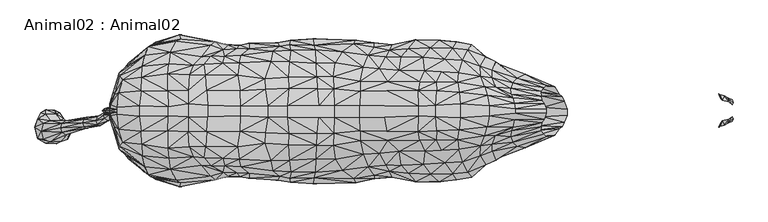
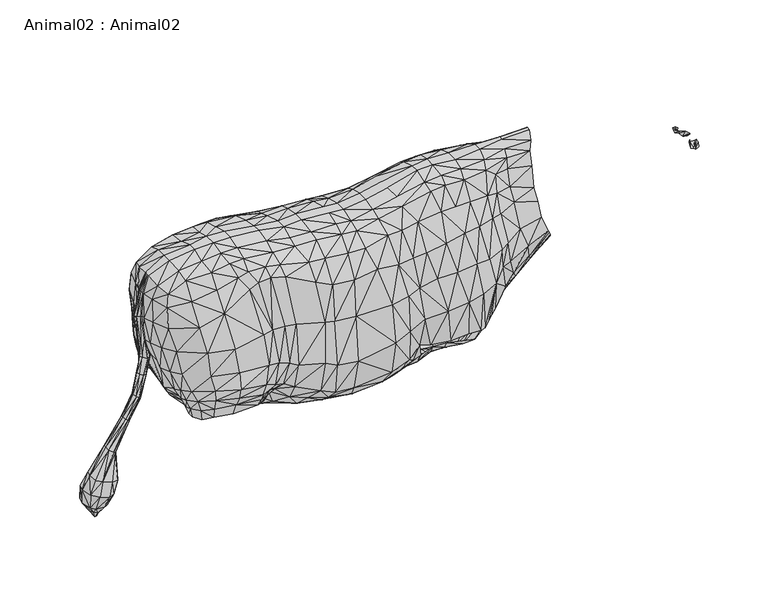
"""IFC4 building model written with IfcOpenShell, lengths in millimetres: geographic element geometry, Animal02 : Animal02."""

from ifc_helpers import new_model, si_unit, origin, place, context, project, spatial, triangles, source, transform, mapped, element, save


def animal02_animal02_c1c0b8f0(model_context):
    return source(origin(), model_context, "Body", "Tessellation", [
        triangles([(-508.8045173, 40.9300825, 759.9256353), (-549.602245, 18.7641038, 768.4956064), (-507.3549691, 20.8708077, 765.309173), (-508.8045173, -23.5500637, 759.9256353), (-460.5180024, -18.782034, 757.7171219), (-457.0882699, 17.7107524, 766.5763922), (-507.3549691, -3.4907898, 765.309173), (-457.0882699, 0.7226153, 766.5763922), (-414.1749736, -6.6063322, 757.6698864), (-412.1886486, 12.6257964, 769.1683851), (-358.8359822, 12.6257964, 769.9487154), (-362.6386934, 21.3003464, 756.7169649), (-358.8359822, 4.5363343, 769.9487154), (-362.6386934, -6.0390567, 756.7169649), (-412.1886486, 4.5363343, 769.1683851), (-548.0079746, -25.855771, 761.3259859), (-549.602245, -1.3840871, 768.4956064), (-465.0573692, 50.6795692, 747.1314308), (-419.442748, 37.4907712, 729.6573521), (-416.8596208, -19.1452953, 747.332654), (-419.442748, -25.1957073, 729.6573521), (-638.8794628, -2.4374384, 753.3598297), (-681.1266661, 17.7107524, 744.5969925), (-724.6799669, 17.7107524, 739.4358976), (-681.1266661, -2.4374384, 744.5969925), (-724.6799669, -2.4374384, 739.4358976), (-803.3116499, 66.723162, 732.0623652), (-754.0053572, 47.1366804, 736.1307215), (-725.4133524, 47.3336524, 732.1646118), (-754.8856813, 67.8981494, 727.4542889), (-751.3595884, 17.7107524, 741.4189888), (-680.3296217, 43.0244223, 737.427372), (-679.7439016, 60.1666945, 728.2223379), (-751.3595884, -2.4374384, 741.4189888), (-754.0053572, -29.7566593, 736.1307215), (-802.8116077, -30.7073576, 737.4528065), (-680.3296217, -25.6444013, 737.427372), (-725.4133524, -29.9536381, 732.1646118), (-754.8856813, -50.5181328, 727.4542889), (-679.7439016, -42.786678, 728.2223379), (-634.0967606, 43.3816135, 746.9868902), (-632.865513, 59.3370349, 737.4384905), (-579.8926927, 44.2090702, 758.1395525), (-548.0079746, 43.2357921, 761.3259859), (-460.5180024, 35.738305, 757.7171219), (-416.8596208, 31.4403593, 747.332654), (-414.1749736, 21.8676219, 757.6698864), (-465.0573692, -34.1470436, 747.1314308), (-579.8926927, -26.8290514, 758.1395525), (-511.6295629, -41.0426483, 748.8210806), (-634.0967606, -26.0015947, 746.9868902), (-579.095612, 0.7226153, 766.1057814), (-579.095612, 16.657401, 766.1057814), (-638.8794628, 17.7107524, 753.3598297), (-416.8596208, 57.3134848, 671.0076616), (-568.2863517, 78.1666132, 714.5613258), (-539.0799222, 76.5668381, 713.7579592), (-533.9912066, 98.0524543, 670.2912809), (-570.9715802, 101.1315632, 664.667351), (-612.5020758, 78.7096397, 709.6671478), (-723.5078001, 91.8473825, 702.2403482), (-757.0028486, 114.3874129, 663.010766), (-801.7816561, 93.7918041, 710.0923399), (-756.2099464, -73.8721306, 702.9609438), (-757.0028486, -97.0073964, 663.010766), (-420.0753402, -35.6252487, 699.1273842), (-452.1858075, -48.6253296, 704.7548023), (-509.8735291, -57.5870418, 712.8725481), (-472.0892075, -51.3409977, 708.0520575), (-612.5020758, -61.3296186, 709.6671478), (-609.5598498, -84.7777922, 659.8467876), (-568.2863517, -60.7866012, 714.5613258), (-539.0799222, -59.186817, 713.7579592), (-367.8415372, 34.1362408, 713.6986605), (-368.3241749, 42.6155447, 672.8146734), (-367.0871501, 26.7368514, 739.6655348), (-420.0753402, 47.9203126, 699.1273842), (-452.1858075, 66.0053461, 704.7548023), (-472.0892075, 68.7210188, 708.0520575), (-446.3637428, 49.6938826, 732.154656), (-509.8735291, 74.9670629, 712.8725481), (-511.6295629, 58.4226694, 748.8210806), (-548.4208855, 58.1481903, 749.4672621), (-577.2475053, 59.2680711, 747.9100897), (-675.0338694, 83.8406128, 707.3314619), (-726.3920717, 67.8981494, 724.3821653), (-756.2099464, 91.2521517, 702.9609438), (-803.3116499, -49.3431455, 732.0623652), (-675.0338694, -66.4605918, 707.3314619), (-726.3920717, -50.5181328, 724.3821653), (-723.5078001, -74.4673614, 702.2403482), (-577.2475053, -41.8880546, 747.9100897), (-632.865513, -41.9570184, 737.4384905), (-646.8966333, -64.2946402, 706.5280226), (-446.3637428, -33.1613593, 732.154656), (-548.4208855, -40.7681693, 749.4672621), (-367.8415372, -18.8749516, 713.6986605), (-367.0871501, -11.4755623, 739.6655348), (-976.9016356, -1.6607981, 757.9446516), (-843.9524832, 46.4636928, 738.1138853), (-886.9459345, 43.6425714, 745.3850985), (-886.284565, 16.657401, 750.6732931), (-839.9839027, -2.4374384, 743.40208), (-974.9814039, 70.8945689, 745.8867393), (-1011.8693413, 73.0998622, 741.2785904), (-1057.2106871, 66.4488737, 736.6705141), (-1057.5970734, 43.9021304, 744.0630861), (-917.0777435, 90.7720393, 730.9778383), (-949.5855703, 89.4187335, 732.0385294), (-946.5469477, 70.2129336, 745.8867393), (-967.8215212, 87.7559353, 724.20783), (-891.215078, -53.0643846, 739.742565), (-917.0777435, -73.3920273, 730.9778383), (-946.5469477, -52.8329125, 745.8867393), (-974.9814039, -53.5145524, 745.8867393), (-845.1051744, -47.1818812, 732.8304142), (-843.9524832, -29.0836785, 738.1138853), (-976.9016356, -27.3088732, 751.9953781), (-1012.6192955, -25.7244677, 746.7071835), (-945.152556, -27.3179092, 751.9953781), (-1057.5970734, -26.5221116, 744.0630861), (-1061.5657265, -0.336263, 750.0122869), (-1099.267713, 2.9655476, 730.8425268), (-1061.5657265, 17.7162799, 750.0122869), (-1011.2964111, 15.880761, 755.3004816), (-1012.6192955, 43.1044865, 746.7071835), (-976.9016356, 44.688892, 751.9953781), (-945.152556, 44.6979258, 751.9953781), (-976.9016356, 20.8708077, 757.9446516), (-943.1682295, 18.7641038, 757.2835728), (-886.9459345, -26.2625526, 745.3850985), (-1011.2964111, 0.7226153, 755.3004816), (-943.1682295, -1.3840871, 757.2835728), (-886.284565, 0.7226153, 750.6732931), (-1010.6365677, 90.1758275, 715.9407475), (-1056.6230776, 85.7943272, 705.63985), (-1110.4338919, 19.5171794, 699.1133589), (-1096.4514605, 40.3890954, 724.893326), (-1094.8671095, 69.4784671, 695.9655132), (-834.5086555, 94.3655518, 714.3855371), (-830.654821, 111.5448266, 682.1575624), (-891.215078, 70.4444056, 739.742565), (-888.5344276, 91.668042, 725.5820194), (-913.9063528, 103.2753459, 715.4818365), (-937.6924736, 102.885426, 713.1047287), (-953.5498632, 102.3876821, 704.8538515), (-1089.4876413, 62.4776, 718.2380636), (-1089.4876413, -45.0975789, 718.2380636), (-1096.4514605, -23.0090788, 724.893326), (-1110.4338919, 0.6589495, 699.1133589), (-834.5086555, -76.9855353, 714.3855371), (-1057.2106871, -49.0688572, 736.6705141), (-1011.8693413, -55.7198411, 741.2785904), (-967.8215212, -70.3759142, 724.20783), (-1010.6365677, -72.7958064, 715.9407475), (-949.5855703, -72.0387124, 732.0385294), (-937.6924736, -85.5054095, 713.1047287), (-953.5498632, -85.0076655, 704.8538515), (-913.9063528, -85.8953294, 715.4818365), (-888.5344276, -74.288021, 725.5820194), (-1099.267713, 14.7013135, 730.8425268), (-839.9839027, 17.7107524, 743.40208), (-802.8116077, 48.0873764, 737.4528065), (-804.7959343, 17.7107524, 745.3850985), (-845.1051744, 64.5619022, 732.8304142), (-801.7816561, -76.4117876, 710.0923399), (-830.654821, -94.1648101, 682.1575624), (-804.7959343, -2.4374384, 745.3850985), (-655.4165348, 118.2753297, 596.4014234), (-629.6247225, 113.1382522, 601.1419044), (-629.6247225, -95.7582357, 601.1419044), (-665.859284, -87.5220833, 655.771673), (-1106.5435043, 41.0612518, 653.1229975), (-1097.2833864, 55.038887, 605.9086555), (-1095.8727167, 74.698134, 656.4452511), (-1095.8727167, -57.3181175, 656.4452511), (-1085.6451433, -67.1195632, 611.4833879), (-1097.2833864, -37.6588728, 605.9086555), (-1112.4964113, -4.2648381, 652.0551847), (-1104.5592505, -10.3599906, 602.5277936), (-1104.5592505, 27.7400105, 602.5277936), (-1106.9457327, 8.6900088, 600.8504251), (-1104.9195482, 36.8889525, 696.3712297), (-363.3216823, 48.4307239, 647.034561), (-358.9328513, 53.0105906, 614.7695246), (-451.991161, 78.5525726, 670.2912809), (-409.158601, 64.8027487, 619.4141539), (-446.4995994, 94.0000854, 617.8766024), (-463.3819991, 101.8665929, 615.4662844), (-472.8931191, 86.2234525, 672.7015263), (-494.7688914, 114.4777599, 613.7576677), (-503.4421992, 96.2173192, 673.5049656), (-520.4943924, 116.9641997, 614.5610344), (-609.5598498, 102.1577996, 659.8467876), (-558.527645, 117.5868724, 611.2116022), (-597.5010292, 116.226236, 610.0347118), (-635.9566761, 102.4224183, 657.3039923), (-665.859284, 104.9020998, 655.771673), (-646.8966333, 81.6746567, 706.5280226), (-690.8840647, 124.4048065, 595.1396908), (-711.0207716, 110.8591581, 666.1416796), (-759.7322605, 122.3425233, 594.2754993), (-799.2922731, 113.8162995, 666.7518167), (-801.3396772, 122.8496507, 599.0297513), (-818.7617243, 120.1356812, 602.1992889), (-885.1977854, 104.7797235, 707.7862307), (-871.8840631, 116.3502836, 613.2925798), (-893.2916954, 115.7445793, 616.4620811), (-937.6924736, 121.7524884, 618.0467955), (-916.2849867, 114.5351146, 616.4620811), (-1007.6004885, 109.6372396, 678.3666601), (-1052.2913652, 105.1161765, 662.3121895), (-997.1578119, 128.6383781, 613.2925798), (-1085.6451433, 84.4995842, 611.4833879), (-1045.522883, 119.2411682, 615.6696877), (-801.3396772, -107.0628691, 599.0297513), (-759.7322605, -106.5557416, 594.2754993), (-799.2922731, -96.4362739, 666.7518167), (-1045.522883, -101.8611608, 615.6696877), (-997.1578119, -111.2583615, 613.2925798), (-1104.9195482, -18.3696829, 696.7507124), (-1094.8671095, -52.0984551, 695.9655132), (-1106.5435043, -23.3014847, 653.1229975), (-1052.2913652, -87.7361509, 662.3121895), (-1007.6004885, -92.257223, 678.3666601), (-937.6924736, -104.3724719, 618.0467955), (-818.7617243, -104.3489086, 602.1992889), (-1056.6230776, -68.4143061, 705.63985), (-916.2849867, -97.1550981, 616.4620811), (-885.1977854, -87.399707, 707.7862307), (-871.8840631, -98.970258, 613.2925798), (-893.2916954, -98.3645719, 616.4620811), (-363.3216823, -31.4744483, 647.034561), (-358.9328513, -36.054315, 614.7695246), (-472.8931191, -68.843436, 672.7015263), (-494.7688914, -97.0977433, 613.7576677), (-655.4165348, -102.488548, 596.4014234), (-690.8840647, -108.618034, 595.1396908), (-597.5010292, -98.8462285, 610.0347118), (-558.527645, -100.206865, 611.2116022), (-570.9715802, -83.7515467, 664.667351), (-503.4421992, -78.8372936, 673.5049656), (-533.9912066, -80.6724287, 670.2912809), (-520.4943924, -99.5841831, 614.5610344), (-463.3819991, -84.4865763, 615.4662844), (-446.4995994, -76.6200779, 617.8766024), (-451.991161, -61.1725561, 670.2912809), (-409.158601, -52.5076916, 619.4141539), (-711.0207716, -93.4791324, 666.1416796), (-635.9566761, -85.0424018, 657.3039923), (-416.8596208, -45.0184231, 671.0076616), (-368.3241749, -25.6592736, 672.8146734), (-1112.4964113, 21.0591729, 652.0551847)], [[1, 2, 3], [44, 2, 1], [3, 45, 1], [3, 6, 45], [17, 4, 7], [17, 16, 4], [5, 7, 4], [8, 7, 5], [17, 3, 2], [17, 7, 3], [8, 6, 7], [3, 7, 6], [47, 6, 10], [47, 45, 6], [8, 9, 15], [5, 9, 8], [8, 10, 6], [8, 15, 10], [12, 10, 11], [12, 47, 10], [15, 14, 13], [9, 14, 15], [13, 11, 15], [10, 15, 11], [43, 2, 44], [43, 53, 2], [17, 49, 16], [52, 49, 17], [17, 2, 52], [53, 52, 2], [46, 80, 18], [19, 80, 46], [95, 20, 48], [95, 21, 20], [22, 54, 25], [23, 25, 54], [34, 31, 164], [164, 168, 34], [26, 24, 34], [31, 34, 24], [25, 23, 24], [24, 26, 25], [163, 30, 27], [163, 28, 30], [29, 30, 28], [86, 30, 29], [29, 33, 86], [29, 32, 33], [28, 164, 31], [163, 164, 28], [31, 29, 28], [31, 24, 29], [32, 24, 23], [29, 24, 32], [32, 54, 41], [32, 23, 54], [42, 32, 41], [33, 32, 42], [38, 34, 35], [26, 34, 38], [168, 35, 34], [168, 36, 35], [22, 37, 51], [25, 37, 22], [26, 37, 25], [26, 38, 37], [39, 38, 35], [39, 90, 38], [39, 36, 88], [35, 36, 39], [40, 38, 90], [37, 38, 40], [37, 93, 51], [37, 40, 93], [53, 41, 54], [43, 41, 53], [42, 43, 84], [42, 41, 43], [83, 43, 44], [84, 43, 83], [44, 82, 83], [44, 1, 82], [18, 1, 45], [82, 1, 18], [45, 46, 18], [47, 46, 45], [47, 76, 46], [12, 76, 47], [20, 5, 48], [20, 9, 5], [4, 48, 5], [4, 50, 48], [49, 96, 16], [49, 92, 96], [50, 16, 96], [4, 16, 50], [49, 93, 92], [51, 93, 49], [51, 52, 22], [51, 49, 52], [98, 9, 20], [98, 14, 9], [52, 53, 54], [54, 22, 52], [78, 55, 186], [77, 55, 78], [190, 78, 186], [190, 79, 78], [79, 192, 81], [190, 192, 79], [81, 58, 57], [192, 58, 81], [56, 58, 59], [57, 58, 56], [59, 60, 56], [59, 194, 60], [61, 62, 87], [201, 62, 61], [87, 203, 63], [62, 203, 87], [65, 91, 64], [65, 249, 91], [218, 64, 166], [218, 65, 64], [251, 67, 247], [251, 66, 67], [67, 235, 247], [69, 235, 67], [242, 69, 68], [242, 235, 69], [70, 241, 72], [71, 241, 70], [243, 72, 241], [243, 73, 72], [243, 68, 73], [243, 242, 68], [74, 77, 19], [75, 77, 74], [19, 76, 74], [19, 46, 76], [77, 80, 19], [77, 78, 80], [80, 79, 18], [78, 79, 80], [79, 82, 18], [79, 81, 82], [57, 82, 81], [57, 83, 82], [56, 83, 57], [56, 84, 83], [84, 60, 42], [56, 60, 84], [42, 199, 33], [60, 199, 42], [199, 85, 33], [85, 86, 33], [85, 61, 86], [87, 86, 61], [87, 30, 86], [63, 30, 87], [63, 27, 30], [90, 64, 91], [39, 64, 90], [39, 166, 64], [88, 166, 39], [95, 66, 21], [67, 66, 95], [90, 89, 40], [91, 89, 90], [70, 92, 93], [70, 72, 92], [94, 93, 40], [94, 70, 93], [89, 94, 40], [69, 95, 48], [69, 67, 95], [50, 73, 68], [96, 73, 50], [96, 72, 73], [92, 72, 96], [50, 69, 48], [68, 69, 50], [66, 97, 21], [66, 252, 97], [98, 21, 97], [20, 21, 98], [99, 125, 132], [129, 125, 99], [133, 130, 129], [129, 99, 133], [100, 102, 162], [101, 102, 100], [142, 128, 101], [110, 128, 142], [131, 103, 134], [131, 117, 103], [134, 162, 102], [134, 103, 162], [127, 105, 126], [104, 105, 127], [127, 110, 104], [127, 128, 110], [106, 126, 105], [106, 107, 126], [101, 165, 142], [101, 100, 165], [142, 108, 110], [143, 108, 142], [109, 110, 108], [104, 110, 109], [104, 111, 105], [104, 109, 111], [113, 112, 114], [113, 160, 112], [114, 156, 113], [114, 115, 156], [154, 115, 153], [156, 115, 154], [116, 131, 112], [117, 131, 116], [114, 118, 115], [120, 118, 114], [119, 152, 153], [121, 152, 119], [153, 118, 119], [153, 115, 118], [120, 112, 131], [120, 114, 112], [138, 124, 107], [138, 161, 124], [122, 149, 121], [123, 149, 122], [122, 161, 123], [124, 161, 122], [125, 107, 124], [126, 107, 125], [126, 129, 127], [126, 125, 129], [128, 129, 130], [127, 129, 128], [130, 101, 128], [130, 102, 101], [131, 133, 120], [134, 133, 131], [99, 119, 118], [132, 119, 99], [121, 132, 122], [121, 119, 132], [99, 120, 133], [99, 118, 120], [132, 125, 124], [124, 122, 132], [134, 130, 133], [102, 130, 134], [211, 136, 135], [211, 212, 136], [228, 225, 155], [224, 225, 228], [138, 137, 161], [183, 137, 138], [147, 183, 138], [139, 183, 147], [107, 147, 138], [106, 147, 107], [140, 206, 143], [141, 206, 140], [143, 165, 140], [143, 142, 165], [144, 143, 206], [144, 108, 143], [108, 145, 109], [144, 145, 108], [109, 146, 111], [145, 146, 109], [211, 111, 146], [211, 135, 111], [111, 135, 105], [106, 135, 136], [105, 135, 106], [147, 136, 139], [147, 106, 136], [148, 121, 149], [148, 152, 121], [228, 148, 222], [152, 148, 228], [221, 148, 149], [221, 222, 148], [150, 149, 123], [150, 221, 149], [116, 160, 151], [112, 160, 116], [155, 152, 228], [155, 153, 152], [155, 154, 153], [230, 151, 160], [230, 167, 151], [158, 156, 154], [158, 157, 156], [154, 225, 158], [155, 225, 154], [157, 113, 156], [157, 159, 113], [160, 159, 230], [113, 159, 160], [150, 161, 137], [150, 123, 161], [162, 163, 100], [162, 164, 163], [163, 165, 100], [27, 165, 163], [63, 141, 140], [203, 141, 63], [140, 27, 63], [140, 165, 27], [88, 151, 166], [116, 151, 88], [167, 166, 151], [167, 218, 166], [116, 36, 117], [116, 88, 36], [36, 103, 117], [168, 103, 36], [168, 164, 103], [162, 103, 164], [170, 198, 197], [170, 169, 198], [172, 171, 250], [237, 171, 172], [173, 181, 253], [174, 181, 173], [175, 174, 173], [214, 174, 175], [178, 176, 223], [178, 177, 176], [180, 223, 179], [180, 178, 223], [182, 180, 179], [181, 182, 253], [253, 182, 179], [253, 183, 173], [253, 137, 183], [173, 139, 175], [173, 183, 139], [184, 187, 55], [185, 187, 184], [55, 75, 184], [55, 77, 75], [187, 186, 55], [187, 188, 186], [190, 188, 189], [186, 188, 190], [191, 190, 189], [191, 192, 190], [193, 192, 191], [193, 58, 192], [195, 58, 193], [195, 59, 58], [59, 196, 194], [195, 196, 59], [194, 170, 197], [196, 170, 194], [197, 60, 194], [197, 199, 60], [199, 198, 85], [197, 198, 199], [200, 198, 169], [200, 201, 198], [85, 201, 61], [198, 201, 85], [202, 201, 200], [202, 62, 201], [204, 62, 202], [204, 203, 62], [205, 203, 204], [205, 141, 203], [207, 141, 205], [207, 206, 141], [206, 208, 144], [207, 208, 206], [210, 144, 208], [210, 145, 144], [210, 146, 145], [210, 209, 146], [211, 209, 213], [146, 209, 211], [211, 215, 212], [213, 215, 211], [212, 139, 136], [175, 139, 212], [212, 214, 175], [212, 215, 214], [249, 217, 238], [65, 217, 249], [218, 227, 216], [167, 227, 218], [65, 216, 217], [218, 216, 65], [219, 225, 224], [219, 220, 225], [221, 179, 223], [150, 179, 221], [222, 223, 176], [221, 223, 222], [177, 224, 176], [219, 224, 177], [158, 229, 157], [226, 229, 158], [226, 225, 220], [226, 158, 225], [167, 231, 227], [230, 231, 167], [222, 224, 228], [222, 176, 224], [159, 229, 232], [157, 229, 159], [232, 230, 159], [232, 231, 230], [248, 233, 251], [248, 234, 233], [235, 236, 245], [242, 236, 235], [172, 238, 237], [249, 238, 172], [171, 71, 250], [171, 239, 71], [239, 241, 71], [239, 240, 241], [243, 240, 244], [241, 240, 243], [242, 244, 236], [243, 244, 242], [246, 235, 245], [246, 247, 235], [247, 248, 251], [246, 248, 247], [249, 89, 91], [249, 172, 89], [172, 94, 89], [172, 250, 94], [70, 250, 71], [94, 250, 70], [252, 251, 233], [66, 251, 252], [150, 253, 179], [137, 253, 150]], closed=False),
        triangles([(-344.3290915, 50.5641329, 580.7423501), (-438.5625838, -71.3206648, 573.7959354), (-395.3203832, -55.0244257, 579.5839542), (-344.3290915, -33.1841118, 580.7423501), (-358.9328513, 53.0105906, 614.7695246), (-409.158601, 64.8027487, 619.4141539), (-395.3203832, 72.4044423, 579.5839542), (-438.5625838, 88.7006814, 573.7959354), (-446.4995994, 94.0000854, 617.8766024), (-456.7467937, 93.9604439, 572.5455394), (-494.7688914, 114.4777599, 613.7576677), (-463.3819991, 101.8665929, 615.4662844), (-520.4943924, 116.9641997, 614.5610344), (-558.527645, 117.5868724, 611.2116022), (-543.941326, 130.6726925, 552.407161), (-513.4132839, 127.7255977, 557.2066864), (-584.4193786, 131.1899665, 547.5866704), (-597.5010292, 116.226236, 610.0347118), (-629.6247225, 113.1382522, 601.1419044), (-446.4995994, -76.6200779, 617.8766024), (-487.3006336, -105.9352762, 566.868742), (-543.941326, -113.2926759, 552.407161), (-520.4943924, -99.5841831, 614.5610344), (-597.5010292, -98.8462285, 610.0347118), (-629.6247225, -95.7582357, 601.1419044), (-558.527645, -100.206865, 611.2116022), (-494.7688914, -97.0977433, 613.7576677), (-463.3819991, -84.4865763, 615.4662844), (-358.9328513, -36.054315, 614.7695246), (-409.158601, -52.5076916, 619.4141539), (-369.3478769, 34.48542, 524.3373628), (-404.3912684, 37.8935468, 498.003505), (-404.3912684, -20.5135303, 498.003505), (-369.3478769, -17.1054001, 524.3373628), (-546.4041844, 60.0307789, 427.1265086), (-547.1869855, -37.5999942, 414.5789097), (-603.9928205, 47.0008693, 404.6770795), (-630.5687056, 52.5045214, 406.1094049), (-754.6038671, 81.6838495, 406.2060559), (-696.9728645, -86.1048733, 425.3440956), (-757.6658169, -87.9930211, 423.6987382), (-603.9928205, -29.6208505, 404.6770795), (-608.3710416, -49.8805446, 414.0200412), (-574.2802445, -37.8010788, 416.2299354), (-547.1869855, 54.9800153, 414.5789097), (-573.6194564, -42.9579475, 428.1170732), (-546.4041844, -42.6507578, 427.1265086), (-487.5393909, 15.3809618, 414.424377), (-487.5393909, 38.4918547, 421.2888562), (-485.1027663, 52.3535631, 429.8608621), (-460.064251, 39.8039249, 441.3918079), (-481.6343734, 67.4758823, 441.5984814), (-513.934473, 57.3071988, 411.4979931), (-608.3710416, 67.2605702, 414.0200412), (-661.1364618, 77.3731751, 410.2089366), (-696.9728645, 103.4848898, 425.3440956), (-651.7450293, 116.5772865, 464.0357746), (-762.9037966, 122.2677913, 448.4781487), (-690.27073, 122.0068606, 455.1043067), (-757.6658169, 105.3730467, 423.6987382), (-802.3872877, 103.8935949, 430.9738029), (-573.6194564, 60.337964, 428.1170732), (-762.9037966, -106.4810278, 448.4781487), (-798.9610434, -106.0534103, 452.4400071), (-690.27073, -106.2200789, 455.1043067), (-485.1027663, -34.9735466, 429.8608621), (-505.0500226, -64.0923406, 432.4787255), (-487.5393909, -21.1118359, 421.2888562), (-457.7746742, 15.3809618, 435.2900002), (-457.7746742, -2.4502005, 435.2900002), (-430.9110523, 13.8978753, 461.1360606), (-400.8496242, 12.9091537, 489.7888902), (-433.963882, 39.6736549, 470.288736), (-436.2094208, 48.7230116, 484.4278802), (-461.7748661, 50.1962411, 452.0484249), (-440.4932073, 61.0157388, 493.5547214), (-462.3402386, 65.2483974, 464.3558496), (-441.9914443, 77.1031516, 516.4654595), (-464.4229966, 80.9853365, 480.7185136), (-505.0500226, 81.4723526, 432.4787255), (-626.4339289, 106.7232187, 478.3261814), (-629.4197931, 90.0614813, 437.9480865), (-613.6633421, 88.2048904, 442.0608441), (-659.3284327, 96.7661684, 432.5089199), (-655.4911669, 126.2201754, 527.4701294), (-760.5251627, 133.1008964, 509.4911759), (-760.5251627, -117.3141329, 509.4911759), (-462.3402386, -47.8683809, 464.3558496), (-464.4229966, -63.6053155, 480.7185136), (-441.9914443, -59.7231305, 516.4654595), (-440.4932073, -43.6357222, 493.5547214), (-659.3284327, -79.3861518, 432.5089199), (-626.4339289, -89.3432021, 478.3261814), (-629.4197931, -72.6814602, 437.9480865), (-613.6633421, -70.8248739, 442.0608441), (-484.0348083, -75.8104707, 470.1429236), (-481.6343734, -50.0958657, 441.5984814), (-473.9453442, -67.7362951, 474.2085548), (-436.2094208, -31.3429974, 484.4278802), (-461.7748661, -32.8162223, 452.0484249), (-460.064251, -22.4239061, 441.3918079), (-433.963882, -22.2936383, 470.288736), (-430.9110523, -2.4502005, 461.1360606), (-400.8496242, -1.4614765, 489.7888902), (-364.4265203, 14.8865993, 518.5247452), (-327.4824454, 25.2554329, 550.5768949), (-331.3909278, 32.9395387, 558.1223282), (-374.4057077, 42.1645775, 529.7368152), (-336.1114245, 37.4702215, 567.4685237), (-408.574734, 46.6505773, 506.9977962), (-412.4109824, 58.6057841, 516.0215549), (-425.1384759, 74.6892774, 536.9028022), (-382.7347415, 53.312439, 544.4522324), (-624.8343899, 123.1719875, 540.9405281), (-690.8840647, 124.4048065, 595.1396908), (-655.4165348, 118.2753297, 596.4014234), (-687.7126013, 130.962782, 519.2150737), (-759.7322605, 122.3425233, 594.2754993), (-612.2993265, 119.200464, 481.6544666), (-541.2188905, 123.8585281, 482.6101132), (-579.1497148, 129.3646419, 484.5214065), (-516.3567089, 123.7800809, 481.0174052), (-503.2881389, 115.1070002, 476.2392085), (-484.0348083, 93.1904873, 470.1429236), (-487.3006336, 123.3152927, 566.868742), (-473.9453442, 85.1163162, 474.2085548), (-690.8840647, -108.618034, 595.1396908), (-687.7126013, -115.1760003, 519.2150737), (-801.3396772, -107.0628691, 599.0297513), (-759.7322605, -106.5557416, 594.2754993), (-651.7450293, -100.7905048, 464.0357746), (-425.1384759, -57.3092563, 536.9028022), (-456.7467937, -76.5804183, 572.5455394), (-516.3567089, -106.4000552, 481.0174052), (-503.2881389, -97.7269836, 476.2392085), (-513.4132839, -110.3455811, 557.2066864), (-655.4911669, -108.0435505, 527.4701294), (-655.4165348, -102.488548, 596.4014234), (-612.2993265, -101.8204474, 481.6544666), (-624.8343899, -105.791971, 540.9405281), (-584.4193786, -113.80995, 547.5866704), (-579.1497148, -111.9846253, 484.5214065), (-541.2188905, -106.4785025, 482.6101132), (-336.1114245, -22.4408223, 567.4685237), (-382.7347415, -35.9324156, 544.4522324), (-412.4109824, -41.2257676, 516.0215549), (-408.574734, -29.2705585, 506.9977962), (-374.4057077, -24.7845587, 529.7368152), (-331.3909278, -18.2459418, 558.1223282), (-364.4265203, -0.9671146, 518.5247452), (-327.4824454, -10.561836, 550.5768949), (-322.5147981, 1.5046953, 544.8633628), (-322.5147981, 11.4260672, 544.8633628), (-990.9667654, 132.6199483, 564.363953), (-1066.455835, 102.0010051, 533.685266), (-1041.4067099, 122.495866, 568.2927466), (-1066.455835, -84.6209885, 533.685266), (-1034.4226885, -107.5876644, 537.2243669), (-1097.2833864, 55.038887, 605.9086555), (-1089.6498407, 70.7017528, 564.3932754), (-1085.6451433, 84.4995842, 611.4833879), (-887.7415255, 122.4486214, 541.9786551), (-893.2916954, 115.7445793, 616.4620811), (-916.2849867, 114.5351146, 616.4620811), (-930.5897095, 127.6939136, 555.766549), (-937.6924736, 121.7524884, 618.0467955), (-997.1578119, 128.6383781, 613.2925798), (-1045.522883, 119.2411682, 615.6696877), (-1041.4067099, -105.1158495, 568.2927466), (-1079.2237329, -74.5480478, 568.3132759), (-1045.522883, -101.8611608, 615.6696877), (-1085.6451433, -67.1195632, 611.4833879), (-1089.6498407, -53.3217317, 564.3932754), (-1097.2833864, -37.6588728, 605.9086555), (-1104.5592505, -10.3599906, 602.5277936), (-990.9667654, -115.2399226, 564.363953), (-997.1578119, -111.2583615, 613.2925798), (-937.6924736, -104.3724719, 618.0467955), (-916.2849867, -97.1550981, 616.4620811), (-908.0192122, -104.4038017, 550.0017846), (-893.2916954, -98.3645719, 616.4620811), (-871.8840631, -107.8951675, 534.0548656), (-887.7415255, -105.0685958, 541.9786551), (-1104.5592505, 27.7400105, 602.5277936), (-1069.810354, 90.2621504, 510.180051), (-1080.0541328, 66.4930207, 521.9227936), (-1070.919516, 53.4112793, 513.3279694), (-1072.1426971, -58.5254656, 506.1620187), (-1080.0541328, -49.1130042, 521.9227936), (-905.2043404, 101.9050534, 483.3427357), (-929.7194138, 108.2993034, 471.1718579), (-944.2130058, 123.5908573, 487.6915981), (-995.1717413, 128.2950033, 498.3926528), (-946.8094316, 119.3318513, 475.322622), (-1053.5418703, 113.6311727, 479.2053065), (-1065.7387276, 95.5421969, 494.2586755), (-1063.4629944, 98.0631368, 478.4472133), (-1063.4629944, 86.1032745, 478.4472133), (-929.7194138, -90.9192778, 471.1718579), (-1067.3857201, -65.7874588, 491.9103813), (-1063.4629944, -68.7232534, 478.4472133), (-1053.5418703, -60.9199734, 479.2053065), (-1063.4629944, -80.6831112, 478.4472133), (-1054.9116995, -95.2440138, 497.3005683), (-999.1728052, -108.1722127, 479.2053065), (-946.8094316, -101.9518348, 475.322622), (-895.6702566, 115.6904675, 498.3979214), (-925.6676262, 111.7903694, 482.9426147), (-921.4156328, 113.2104589, 492.8512759), (-942.4496687, 127.9484765, 499.982672), (-915.7172888, 123.5484907, 508.7476893), (-992.9545801, 136.534435, 515.8733445), (-999.1728052, 125.5522292, 479.2053065), (-1054.9116995, 112.6240213, 497.3005683), (-1034.0580305, 126.9768698, 518.755218), (-1058.7476572, 108.5167774, 513.9966422), (-1035.6920151, 124.3921529, 500.7750655), (-1035.4453005, 122.0795033, 482.2374616), (-1067.3857201, 83.1674799, 491.9103813), (-1072.1426971, 75.9054867, 506.1620187), (-1064.4913473, -47.8940969, 500.9810122), (-1065.7387276, -78.1621804, 494.2586755), (-942.4496687, -110.56846, 499.982672), (-921.4156328, -95.8304424, 492.8512759), (-1034.0580305, -109.5968441, 518.755218), (-992.9545801, -119.1544184, 515.8733445), (-995.1717413, -110.9149868, 498.3926528), (-1053.5418703, -96.2511471, 479.2053065), (-1035.6920151, -107.0121363, 500.7750655), (-1035.4453005, -104.6994868, 482.2374616), (-944.2130058, -106.2108499, 487.6915981), (-895.6702566, -98.3104509, 498.3979214), (-905.2043404, -84.5250278, 483.3427357), (-1066.6578575, 8.6900088, 486.8214114), (-946.2125204, -57.8248861, 466.4817372), (-941.4181183, 8.6900088, 443.0183075), (-862.0739061, -12.8820182, 405.0494405), (-910.8909845, 27.7400105, 419.5417245), (-862.0739061, 30.3643053, 405.0494405), (-905.3834719, 56.0774047, 425.8321472), (-857.3531914, 60.6255464, 412.9124416), (-923.1156744, -10.3599906, 430.5276092), (-910.8909845, -10.3599906, 419.5417245), (-905.3834719, -38.6973836, 425.8321472), (-923.1156744, 27.7400105, 430.5276092), (-851.4758612, 82.4696209, 423.4018086), (-896.0697962, -62.7367774, 441.5933945), (-857.3531914, -43.2455208, 412.9124416), (-933.6968599, -60.5887073, 466.2078441), (-931.2108925, 8.6900088, 436.6352669), (-933.6968599, 77.9687238, 466.2078441), (-896.0697962, 80.116794, 441.5933945), (-841.7550156, 102.1235903, 442.3812461), (-910.4281494, 90.8442642, 473.2400093), (-879.812867, 105.4279852, 461.9485474), (-875.0555992, 116.9097153, 486.5122733), (-920.0434782, 98.0631368, 467.8345253), (-925.6676262, -94.4103528, 482.9426147), (-920.0434782, -80.6831112, 467.8345253), (-825.8975533, -102.4788011, 461.9485474), (-879.812867, -91.4843232, 461.9485474), (-910.4281494, -73.4642477, 473.2400093), (-999.1728052, 69.082988, 470.0866044), (-946.2125204, 75.2049072, 466.4817372), (-1035.4453005, 68.8476917, 474.8285751), (-1054.5522738, 8.6900088, 466.2341869), (-1053.5418703, 78.2999899, 479.2053065), (-1064.4913473, 65.274118, 500.9810122), (-1058.8140776, 72.6206945, 490.9511375), (-993.135383, 8.6900088, 449.9088753), (-999.1728052, -51.7029669, 470.0866044), (-1039.3518934, 8.6900088, 457.5730877), (-1035.4453005, -51.4676751, 474.8285751), (-1047.5044481, 8.6900088, 461.3487293), (-1060.2296888, 8.6900088, 474.474418), (-1058.8140776, -55.2406734, 490.9511375), (-1094.7796875, 44.8960741, 557.994865), (-1079.2237329, 91.9280643, 568.3132759), (-1077.1004614, 83.3096769, 528.916153), (-821.9332603, 126.6392904, 522.1691812), (-936.1172064, 128.207436, 518.8261803), (-908.0192122, 121.7838183, 550.0017846), (-991.6077147, 139.8800883, 534.847259), (-1034.4226885, 124.9676901, 537.2243669), (-875.0555992, -99.5296988, 486.5122733), (-1069.810354, -72.8821293, 510.180051), (-1077.1004614, -65.9296603, 528.916153), (-1058.7476572, -91.1367609, 513.9966422), (-1070.919516, -36.0312604, 513.3279694), (-1094.7796875, -27.5160553, 557.994865), (-915.7172888, -106.1684742, 508.7476893), (-936.1172064, -110.8274194, 518.8261803), (-930.5897095, -110.313897, 555.766549), (-991.6077147, -122.5000718, 534.847259), (-1083.5989746, 23.4751478, 552.0153245), (-1083.5989746, -8.7885902, 552.0153245), (-812.6729244, 61.9289825, 405.0499492), (-805.0180138, 82.981263, 414.4016313), (-825.8975533, 118.2655737, 461.9485474), (-798.9610434, 121.840192, 452.4400071), (-799.7538729, 130.4193377, 513.4530707), (-801.3396772, 122.8496507, 599.0297513), (-871.8840631, 116.3502836, 613.2925798), (-871.8840631, 125.2751931, 534.0548656), (-818.7617243, 120.1356812, 602.1992889), (-799.7538729, -114.6325742, 513.4530707), (-841.7550156, -84.7435737, 442.3812461), (-802.3872877, -86.5135783, 430.9738029), (-851.4758612, -65.0895999, 423.4018086), (-871.8840631, -98.970258, 613.2925798), (-818.7617243, -104.3489086, 602.1992889), (-821.9332603, -110.8525088, 522.1691812), (-547.5987336, 40.8671549, 404.0125488), (-516.9882474, 41.0475172, 401.1472441), (-548.1782041, -1.9558372, 396.0877782), (-710.0086241, 29.8529652, 375.5197022), (-658.9430637, 59.3456509, 400.467053), (-657.4167034, 27.7400105, 392.0771218), (-710.0086241, -13.0011879, 375.5197022), (-818.1805098, 32.4941626, 398.7595628), (-742.7509569, -14.0576664, 378.7540252), (-548.1782041, 18.3471348, 396.0877782), (-520.8042209, 16.8640494, 391.2318246), (-629.0422726, 25.7625627, 400.0076334), (-742.7509569, 31.9659245, 378.7540252), (-631.6945089, 71.2782301, 415.7196467), (-705.4904406, 61.4808539, 393.9004117), (-703.3674597, 80.1783909, 405.7595716), (-748.2474237, 63.0285111, 394.9924962), (-573.6194564, 18.3471348, 398.399156), (-598.650414, 21.8076669, 396.2871483), (-574.2802445, 55.1810977, 416.2299354), (-574.2802445, 41.5589686, 405.3333621), (-703.3674597, -62.7983698, 405.7595716), (-754.6038671, -64.3038284, 406.2060559), (-812.6729244, -44.5489614, 405.0499492), (-805.0180138, -65.601242, 414.4016313), (-818.1805098, -14.5859057, 398.7595628), (-748.2474237, -45.6484946, 394.9924962), (-705.4904406, -44.1008283, 393.9004117), (-657.4167034, -10.3599906, 392.0771218), (-630.5687056, -35.1245026, 406.1094049), (-598.650414, -5.9107329, 396.2871483), (-629.0422726, -7.8881807, 400.0076334), (-661.1364618, -59.9931586, 410.2089366), (-658.9430637, -41.9656298, 400.467053), (-631.6945089, -53.8982136, 415.7196467), (-516.9882474, -23.6674961, 401.1472441), (-520.8042209, 0.5159714, 391.2318246), (-547.5987336, -23.487136, 404.0125488), (-573.6194564, -1.9558372, 398.399156), (-574.2802445, -24.1789497, 405.3333621), (-513.934473, -39.9271823, 411.4979931), (-487.5393909, -2.4502005, 414.424377)], [[1, 113, 7], [109, 113, 1], [7, 112, 8], [132, 3, 2], [145, 4, 3], [145, 144, 4], [7, 5, 1], [7, 6, 5], [6, 8, 9], [7, 8, 6], [10, 9, 8], [10, 12, 9], [12, 125, 11], [10, 125, 12], [13, 125, 16], [11, 125, 13], [13, 15, 14], [16, 15, 13], [17, 14, 15], [17, 18, 14], [17, 19, 18], [17, 114, 19], [2, 30, 20], [2, 3, 30], [21, 23, 136], [21, 27, 23], [22, 23, 26], [22, 136, 23], [25, 141, 24], [140, 141, 25], [26, 141, 22], [24, 141, 26], [20, 133, 2], [28, 133, 20], [21, 28, 27], [21, 133, 28], [29, 3, 4], [30, 3, 29], [105, 32, 31], [105, 72, 32], [108, 32, 110], [108, 31, 32], [74, 32, 73], [110, 32, 74], [76, 110, 74], [111, 110, 76], [33, 99, 102], [33, 147, 99], [33, 148, 147], [34, 148, 33], [104, 34, 33], [150, 34, 104], [147, 91, 99], [147, 146, 91], [150, 72, 105], [150, 104, 72], [53, 35, 80], [45, 35, 53], [354, 48, 70], [69, 70, 48], [47, 353, 67], [47, 36, 353], [38, 54, 37], [326, 54, 38], [332, 37, 54], [333, 37, 332], [55, 56, 84], [55, 328, 56], [328, 60, 56], [328, 39, 60], [298, 60, 39], [298, 61, 60], [41, 334, 40], [335, 334, 41], [41, 337, 335], [308, 337, 41], [40, 345, 92], [334, 345, 40], [43, 342, 42], [43, 347, 342], [42, 44, 43], [42, 352, 44], [62, 45, 332], [62, 35, 45], [36, 46, 44], [47, 46, 36], [49, 69, 48], [51, 69, 49], [50, 51, 49], [75, 51, 50], [75, 52, 77], [75, 50, 52], [50, 80, 52], [50, 53, 80], [83, 326, 82], [54, 326, 83], [326, 84, 82], [326, 55, 84], [59, 84, 56], [57, 84, 59], [58, 56, 60], [59, 56, 58], [58, 61, 300], [60, 61, 58], [62, 54, 83], [332, 54, 62], [40, 63, 41], [40, 65, 63], [308, 63, 64], [308, 41, 63], [43, 46, 95], [43, 44, 46], [347, 95, 94], [347, 43, 95], [92, 347, 94], [345, 347, 92], [92, 65, 40], [92, 131, 65], [67, 66, 97], [353, 66, 67], [97, 100, 88], [66, 100, 97], [101, 66, 68], [101, 100, 66], [70, 68, 354], [70, 101, 68], [103, 69, 71], [103, 70, 69], [73, 72, 71], [32, 72, 73], [71, 51, 73], [71, 69, 51], [73, 75, 74], [73, 51, 75], [74, 77, 76], [74, 75, 77], [79, 76, 77], [78, 76, 79], [126, 77, 52], [79, 77, 126], [124, 52, 80], [126, 52, 124], [83, 82, 81], [57, 82, 84], [81, 82, 57], [57, 117, 85], [57, 59, 117], [59, 86, 117], [59, 58, 86], [300, 86, 58], [300, 301, 86], [87, 65, 128], [63, 65, 87], [87, 64, 63], [306, 64, 87], [91, 89, 88], [91, 90, 89], [94, 131, 92], [94, 93, 131], [94, 95, 93], [128, 131, 137], [65, 131, 128], [97, 96, 67], [97, 98, 96], [88, 98, 97], [88, 89, 98], [88, 99, 91], [100, 99, 88], [100, 102, 99], [101, 102, 100], [101, 103, 102], [70, 103, 101], [104, 102, 103], [104, 33, 102], [103, 72, 104], [71, 72, 103], [105, 106, 153], [31, 106, 105], [31, 107, 106], [108, 107, 31], [108, 109, 107], [108, 113, 109], [108, 111, 113], [108, 110, 111], [112, 113, 111], [7, 113, 112], [111, 78, 112], [111, 76, 78], [10, 112, 78], [8, 112, 10], [78, 125, 10], [78, 79, 125], [81, 85, 114], [81, 57, 85], [116, 114, 85], [19, 114, 116], [115, 85, 117], [116, 85, 115], [118, 117, 86], [115, 117, 118], [118, 301, 302], [86, 301, 118], [119, 81, 114], [17, 119, 114], [121, 119, 17], [121, 15, 120], [121, 17, 15], [122, 15, 16], [120, 15, 122], [16, 123, 122], [16, 125, 123], [125, 124, 123], [126, 124, 125], [126, 125, 79], [128, 130, 87], [128, 127, 130], [306, 130, 129], [306, 87, 130], [137, 93, 140], [131, 93, 137], [90, 146, 132], [91, 146, 90], [96, 21, 135], [96, 98, 21], [132, 133, 90], [132, 2, 133], [21, 98, 89], [21, 90, 133], [89, 90, 21], [135, 136, 134], [21, 136, 135], [137, 127, 128], [137, 138, 127], [140, 138, 137], [140, 25, 138], [139, 141, 140], [139, 142, 141], [93, 139, 140], [22, 142, 143], [141, 142, 22], [22, 134, 136], [22, 143, 134], [145, 132, 146], [145, 3, 132], [144, 148, 149], [145, 148, 144], [146, 148, 145], [147, 148, 146], [149, 34, 151], [149, 148, 34], [151, 150, 152], [151, 34, 150], [150, 153, 152], [105, 153, 150], [154, 284, 156], [283, 284, 154], [156, 155, 278], [156, 284, 155], [157, 169, 170], [158, 169, 157], [158, 176, 169], [158, 294, 176], [277, 159, 160], [277, 184, 159], [160, 161, 278], [160, 159, 161], [162, 303, 304], [162, 163, 303], [163, 282, 164], [162, 282, 163], [164, 165, 166], [282, 165, 164], [154, 166, 165], [154, 167, 166], [156, 167, 154], [156, 168, 167], [278, 168, 156], [161, 168, 278], [277, 295, 184], [171, 170, 169], [171, 172, 170], [172, 173, 170], [174, 173, 172], [174, 290, 173], [175, 290, 174], [296, 290, 175], [178, 176, 293], [177, 176, 178], [177, 169, 176], [171, 169, 177], [293, 179, 178], [293, 180, 179], [180, 181, 179], [180, 183, 181], [310, 183, 182], [181, 183, 310], [295, 296, 184], [175, 184, 296], [220, 279, 185], [220, 186, 279], [220, 187, 186], [220, 268, 187], [287, 188, 286], [189, 188, 287], [289, 188, 189], [221, 188, 289], [208, 190, 254], [208, 209, 190], [208, 194, 192], [191, 194, 208], [194, 193, 192], [194, 213, 193], [197, 214, 195], [197, 196, 214], [196, 198, 219], [196, 197, 198], [198, 269, 219], [198, 267, 269], [206, 258, 231], [206, 199, 258], [201, 222, 200], [203, 222, 201], [276, 201, 200], [202, 201, 276], [204, 203, 228], [222, 203, 204], [227, 206, 231], [205, 206, 227], [233, 258, 262], [224, 258, 233], [207, 209, 211], [190, 209, 207], [192, 209, 208], [192, 210, 209], [211, 210, 281], [209, 210, 211], [210, 193, 212], [192, 193, 210], [213, 217, 193], [213, 218, 217], [215, 193, 217], [212, 193, 215], [216, 217, 214], [216, 215, 217], [218, 214, 217], [195, 214, 218], [216, 196, 185], [214, 196, 216], [185, 219, 220], [185, 196, 219], [268, 219, 269], [220, 219, 268], [200, 221, 276], [200, 188, 221], [222, 288, 286], [222, 204, 288], [200, 286, 188], [222, 286, 200], [223, 291, 292], [223, 224, 291], [229, 288, 204], [225, 288, 229], [227, 225, 229], [227, 226, 225], [227, 223, 226], [227, 231, 223], [204, 230, 229], [204, 228, 230], [229, 205, 227], [230, 205, 229], [224, 231, 258], [223, 231, 224], [224, 232, 291], [224, 233, 232], [234, 268, 275], [187, 268, 234], [234, 221, 289], [275, 221, 234], [236, 251, 250], [264, 251, 236], [236, 249, 235], [250, 249, 236], [243, 238, 237], [239, 237, 238], [240, 239, 238], [241, 239, 240], [242, 245, 238], [238, 243, 242], [237, 244, 243], [237, 248, 244], [240, 245, 251], [240, 238, 245], [252, 241, 240], [246, 241, 252], [246, 255, 253], [246, 252, 255], [261, 309, 307], [247, 309, 261], [248, 247, 244], [248, 309, 247], [242, 244, 249], [243, 244, 242], [245, 242, 250], [245, 250, 251], [250, 242, 249], [252, 251, 254], [252, 240, 251], [299, 255, 256], [253, 255, 299], [255, 254, 190], [252, 254, 255], [190, 256, 255], [190, 207, 256], [208, 257, 191], [254, 257, 208], [259, 258, 199], [259, 262, 258], [285, 233, 261], [232, 233, 285], [261, 260, 285], [261, 307, 260], [262, 261, 233], [262, 247, 261], [249, 247, 262], [244, 247, 249], [264, 270, 263], [264, 236, 270], [272, 263, 270], [265, 263, 272], [265, 274, 267], [265, 272, 274], [266, 267, 274], [269, 267, 266], [269, 275, 268], [269, 266, 275], [235, 270, 236], [235, 271, 270], [272, 271, 273], [270, 271, 272], [273, 274, 272], [273, 202, 274], [266, 202, 276], [274, 202, 266], [276, 275, 266], [276, 221, 275], [160, 186, 277], [279, 186, 160], [185, 155, 216], [185, 279, 155], [278, 279, 160], [155, 279, 278], [256, 280, 299], [256, 304, 280], [304, 207, 162], [256, 207, 304], [211, 162, 207], [211, 282, 162], [281, 282, 211], [281, 165, 282], [212, 281, 210], [212, 283, 281], [165, 283, 154], [281, 283, 165], [215, 283, 212], [215, 284, 283], [216, 284, 215], [155, 284, 216], [295, 186, 187], [277, 186, 295], [312, 285, 260], [182, 285, 312], [157, 286, 288], [287, 286, 157], [158, 288, 225], [158, 157, 288], [287, 170, 173], [287, 157, 170], [189, 296, 289], [189, 290, 296], [189, 173, 290], [189, 287, 173], [232, 182, 183], [232, 285, 182], [292, 226, 223], [294, 226, 292], [183, 291, 232], [180, 291, 183], [294, 225, 226], [158, 225, 294], [180, 292, 291], [293, 292, 180], [294, 293, 176], [294, 292, 293], [187, 234, 295], [234, 289, 296], [234, 296, 295], [297, 246, 298], [297, 241, 246], [298, 253, 61], [298, 246, 253], [299, 61, 253], [300, 61, 299], [299, 301, 300], [299, 280, 301], [302, 280, 305], [301, 280, 302], [305, 304, 303], [280, 304, 305], [306, 260, 64], [312, 260, 306], [307, 337, 308], [309, 337, 307], [308, 260, 307], [308, 64, 260], [309, 336, 337], [248, 336, 309], [182, 311, 310], [182, 312, 311], [312, 129, 311], [312, 306, 129], [313, 323, 322], [313, 314, 323], [348, 315, 349], [350, 315, 348], [315, 323, 349], [322, 323, 315], [343, 330, 351], [331, 330, 343], [343, 324, 331], [343, 344, 324], [341, 318, 344], [324, 344, 318], [321, 316, 319], [325, 316, 321], [327, 318, 316], [317, 318, 327], [327, 325, 329], [327, 316, 325], [341, 316, 318], [341, 319, 316], [321, 320, 325], [321, 338, 320], [321, 340, 339], [319, 340, 321], [341, 340, 319], [341, 346, 340], [351, 330, 322], [322, 315, 351], [48, 314, 49], [48, 323, 314], [324, 37, 331], [38, 37, 324], [38, 318, 317], [38, 324, 318], [320, 329, 325], [297, 329, 320], [320, 241, 297], [320, 239, 241], [49, 53, 50], [49, 314, 53], [326, 317, 55], [326, 38, 317], [328, 317, 327], [55, 317, 328], [328, 329, 39], [328, 327, 329], [297, 39, 329], [298, 39, 297], [331, 333, 330], [331, 37, 333], [313, 330, 333], [322, 330, 313], [333, 45, 313], [333, 332, 45], [314, 45, 53], [313, 45, 314], [339, 334, 335], [340, 334, 339], [335, 336, 339], [335, 337, 336], [248, 338, 336], [237, 338, 248], [339, 338, 321], [339, 336, 338], [346, 334, 340], [346, 345, 334], [341, 342, 346], [344, 342, 341], [42, 344, 343], [42, 342, 344], [346, 347, 345], [342, 347, 346], [348, 354, 68], [349, 354, 348], [36, 348, 353], [36, 350, 348], [352, 343, 351], [42, 343, 352], [351, 350, 352], [351, 315, 350], [36, 352, 350], [44, 352, 36], [353, 68, 66], [348, 68, 353], [354, 323, 48], [354, 349, 323], [237, 239, 338], [320, 338, 239]], closed=False),
        triangles([(-61.0964116, 37.9971016, 649.9355467), (-57.2682704, 28.882712, 648.3918909), (-60.1561619, 37.537691, 645.640024), (-54.8504901, 27.0404666, 646.5796469), (-55.9250611, 29.5926795, 652.5531921), (-59.1487561, 33.3375977, 653.7613306), (-61.0964116, -19.549261, 649.9355467), (-60.1561619, -19.0898504, 645.640024), (-57.2682704, -10.4348725, 648.3918909), (-55.9250611, -11.14484, 652.5531921), (-59.1487561, -14.8897559, 653.7613306), (-38.2928843, 27.7763092, 631.64582), (-45.6495256, 31.051568, 630.9565453), (-36.4537251, 22.881786, 636.9300905), (-38.2928843, -9.3284669, 631.64582), (-36.4537251, -4.4339465, 636.9300905), (-38.1275692, -1.3356829, 641.8142401), (-38.1275692, 19.783524, 641.8142401), (-43.5675578, 24.3115611, 644.7003284), (-58.2756717, 36.2596622, 639.9349216), (-51.7611211, 34.6558675, 637.1159803), (-43.5675578, -5.8637211, 644.7003284), (-45.6495256, -12.6037297, 630.9565453), (-58.2756717, -17.8118216, 639.9349216), (-51.7611211, -16.2080257, 637.1159803), (-54.8504901, -8.592626, 646.5796469)], [[2, 3, 1], [4, 3, 2], [2, 6, 5], [2, 1, 6], [9, 8, 7], [26, 8, 9], [9, 11, 10], [9, 7, 11], [13, 14, 12], [18, 14, 13], [23, 16, 15], [17, 16, 23], [13, 19, 18], [13, 21, 19], [4, 21, 20], [19, 21, 4], [4, 20, 3], [23, 22, 17], [23, 25, 22], [26, 25, 24], [22, 25, 26], [26, 24, 8]], closed=False),
        triangles([(-1110.4493706, 13.6281028, 699.1068913), (-1113.1401947, 8.6900088, 702.3461557), (-1112.3699656, 12.3179618, 701.1700647), (-1099.2797762, 11.5947603, 730.8375126), (-1110.4493706, 4.098622, 699.1068913), (-1099.2797762, 6.7059219, 730.8375126), (-1112.3699656, 5.4087627, 701.1700647), (-1114.6302927, 14.5879268, 600.155482), (-1108.990448, 16.337929, 601.0272311), (-1116.3681227, 14.4867531, 652.134395), (-1114.6302927, 2.7920917, 600.155482), (-1116.7005152, 8.6900088, 598.9954147), (-1112.6224937, 14.4867531, 651.8557783), (-1106.9359222, 16.337929, 600.8585278), (-1116.3681227, 2.8932648, 652.134395), (-1112.6224937, 2.8932648, 651.8557783), (-1106.9359222, 1.0420898, 600.8585278), (-1115.1504644, 10.8315257, 538.2061383), (-1108.1936943, 6.7765531, 536.24136), (-1095.3009493, 5.8167921, 563.4129936), (-1104.4128931, -3.16052, 565.8646245), (-1112.2770933, 2.2588818, 568.13171), (-1123.1658182, 1.2853045, 541.9846504), (-1120.897352, -4.2059442, 540.3221066), (-1112.2770933, 9.3747026, 568.13171), (-1115.6042158, 5.8167921, 569.491983), (-1104.4128931, 14.7941052, 565.8646245), (-1108.990448, 1.0420898, 601.0272311), (-1098.025783, 2.2588818, 564.0403899), (-1098.025783, 9.3747026, 564.0403899), (-1156.4899469, -5.584766, 469.1441837), (-1133.943576, -14.8015595, 504.9244489), (-1158.6665583, -12.0874992, 471.0087138), (-1152.9140024, -2.5959234, 466.813512), (-1188.2718733, -7.8039165, 420.1310417), (-1176.8593431, -20.2533763, 410.3224471), (-1149.4935717, -18.5902318, 462.9290471), (-1129.5902807, 0.5325206, 502.4384088), (-1149.4935717, -5.584766, 462.9290471), (-1194.6628349, -12.26551, 424.4650795), (-1156.4899469, -18.5902318, 469.1441837), (-1152.9140024, -21.5790744, 466.813512), (-1147.4724014, -12.0874992, 460.9091849), (-1125.7033813, -14.8015595, 497.7770654), (-1194.6628349, -28.2412427, 424.4650795), (-1136.586656, -8.1457124, 506.788979), (-1133.943576, -1.4898657, 504.9244489), (-1120.897352, 6.7765531, 540.3221066), (-1105.017798, 1.2853045, 535.0322768), (-1125.7033813, -1.4898657, 497.7770654), (-1108.1936943, -4.2059442, 536.24136), (-1123.2157425, -8.1457124, 494.3587784), (-1115.1504644, -8.2609164, 538.2061383), (-1129.5902807, -16.8239458, 502.4384088), (-1121.545859, 12.1095681, 652.72542), (-1125.148546, 8.6900088, 653.3109947), (-1121.545859, 5.2704507, 652.72542), (-1110.4493706, 2.034614, 699.1068913), (-1227.074374, -12.2688982, 380.2122211), (-1236.6474815, -4.3666442, 353.0798292), (-1215.4336601, -8.2619077, 376.3344054), (-1222.4474762, 3.0838668, 348.5507089), (-1204.3198036, 3.7701673, 342.8138861), (-1215.4336601, -44.0681177, 376.3344054), (-1186.192131, -19.5612152, 337.3789707), (-1193.7452311, -9.5467715, 312.0160203), (-1209.8785486, 5.6895731, 294.7664736), (-1207.9461084, -10.6467077, 283.8381254), (-1202.9296995, -5.4941533, 292.7377094), (-1206.3651003, -13.6117509, 294.6884261), (-1209.8785486, -18.256429, 294.7664736), (-1210.0169123, -10.6467077, 283.2172876), (-1211.6734972, -10.6467077, 283.1138055), (-1235.4389797, -9.5467715, 318.356767), (-1231.8133289, 5.6482335, 318.356767), (-1216.1028053, 2.6234443, 295.107423), (-1222.4474762, 10.494798, 316.5451406), (-1206.3651003, 2.6234443, 294.6884261), (-1198.8814728, 5.6482335, 314.1296268), (-1198.8814728, -29.4698309, 314.1296268), (-1207.3410582, -33.629706, 315.0354581), (-1231.8133289, -29.4698309, 318.356767), (-1216.1028053, -13.6117509, 295.107423), (-1218.8218981, -5.4941533, 293.5977223), (-1222.4474762, -34.3163942, 316.5451406), (-1191.932551, -4.3666442, 339.4925408), (-1198.0866812, -7.4533355, 369.947368), (-1241.4814888, -19.5612152, 353.9856242), (-1207.3410582, 9.8081075, 315.0354581), (-1236.6474815, -39.4838409, 353.0798292), (-1177.7723688, -26.1650113, 365.3852191), (-1191.932551, -39.4838409, 339.4925408), (-1222.4474762, -46.934349, 348.5507089), (-1204.3198036, -47.6206534, 342.8138861), (-1196.7171427, -20.2533763, 426.974265), (-1182.5656082, -12.26551, 414.4283375), (-1184.3916595, -12.2688982, 366.5257745), (-1188.2718733, -32.7028367, 420.1310417), (-1198.0866812, -44.8766894, 369.947368), (-1182.5656082, -28.2412427, 414.4283375), (-1184.3916595, -40.0611267, 366.5257745), (-1230.9546604, -26.1650113, 383.1775924), (-1227.074374, -40.0611267, 380.2122211)], [[1, 4, 3], [3, 4, 2], [6, 5, 7], [6, 7, 2], [8, 10, 55], [9, 10, 8], [55, 12, 8], [55, 56, 12], [15, 11, 57], [15, 28, 11], [12, 57, 11], [56, 57, 12], [9, 13, 10], [14, 13, 9], [16, 28, 15], [16, 17, 28], [23, 25, 26], [23, 48, 25], [18, 25, 48], [27, 25, 18], [19, 27, 18], [30, 27, 19], [19, 20, 30], [19, 49, 20], [24, 21, 53], [24, 22, 21], [21, 51, 53], [21, 29, 51], [49, 29, 20], [51, 29, 49], [22, 23, 26], [24, 23, 22], [25, 12, 26], [8, 12, 25], [26, 11, 22], [26, 12, 11], [9, 25, 27], [8, 25, 9], [27, 14, 9], [27, 30, 14], [22, 28, 21], [22, 11, 28], [17, 21, 28], [29, 21, 17], [14, 30, 20], [20, 29, 17], [46, 31, 47], [46, 33, 31], [32, 33, 46], [41, 33, 32], [35, 39, 34], [35, 96, 39], [43, 96, 36], [39, 96, 43], [37, 98, 42], [100, 98, 37], [37, 36, 100], [37, 43, 36], [34, 47, 31], [38, 47, 34], [34, 50, 38], [34, 39, 50], [52, 39, 43], [50, 39, 52], [33, 40, 31], [33, 95, 40], [35, 31, 40], [34, 31, 35], [41, 54, 42], [41, 32, 54], [44, 42, 54], [37, 42, 44], [37, 52, 43], [37, 44, 52], [45, 42, 98], [45, 41, 42], [41, 95, 33], [45, 95, 41], [23, 47, 48], [23, 46, 47], [38, 48, 47], [18, 48, 38], [38, 19, 18], [38, 50, 19], [49, 50, 52], [19, 50, 49], [51, 52, 44], [51, 49, 52], [51, 54, 53], [44, 54, 51], [32, 53, 54], [32, 24, 53], [24, 46, 23], [32, 46, 24], [55, 1, 3], [10, 1, 55], [56, 3, 2], [55, 3, 56], [5, 57, 7], [5, 15, 57], [7, 56, 2], [7, 57, 56], [1, 10, 13], [15, 58, 16], [88, 59, 102], [88, 60, 59], [61, 60, 62], [59, 60, 61], [62, 87, 61], [62, 63, 87], [90, 64, 93], [90, 103, 64], [99, 93, 64], [94, 93, 99], [90, 102, 103], [88, 102, 90], [86, 66, 65], [86, 79, 66], [65, 80, 92], [66, 80, 65], [84, 73, 76], [73, 67, 76], [73, 72, 67], [72, 78, 67], [72, 68, 78], [78, 68, 69], [68, 71, 70], [72, 71, 68], [71, 73, 83], [72, 73, 71], [73, 84, 83], [68, 70, 69], [84, 75, 74], [84, 76, 75], [75, 76, 77], [76, 89, 77], [76, 67, 89], [78, 89, 67], [79, 89, 78], [78, 66, 79], [78, 69, 66], [71, 80, 70], [71, 81, 80], [71, 85, 81], [83, 85, 71], [66, 70, 80], [69, 70, 66], [83, 74, 82], [84, 74, 83], [83, 82, 85], [86, 87, 63], [97, 87, 86], [97, 65, 91], [97, 86, 65], [74, 60, 88], [74, 75, 60], [62, 75, 77], [60, 75, 62], [77, 63, 62], [77, 89, 63], [79, 63, 89], [86, 63, 79], [82, 88, 90], [74, 88, 82], [99, 92, 94], [99, 101, 92], [91, 92, 101], [65, 92, 91], [81, 92, 80], [81, 94, 92], [94, 85, 93], [81, 85, 94], [82, 93, 85], [82, 90, 93], [102, 40, 95], [102, 59, 40], [61, 40, 59], [35, 40, 61], [61, 96, 35], [61, 87, 96], [36, 97, 91], [96, 97, 36], [97, 96, 87], [45, 64, 103], [45, 98, 64], [100, 64, 98], [99, 64, 100], [100, 101, 99], [101, 36, 91], [101, 100, 36], [45, 102, 95], [103, 102, 45]], closed=False),
    ])


if __name__ == "__main__":
    model = new_model("IFC4")
    model_context = context("Model", 3, world=origin())
    ifc_project = project(units=[si_unit("LENGTHUNIT", "METRE", prefix="MILLI")], contexts=[model_context])
    site = spatial("IfcSite", under=ifc_project)
    building = spatial("IfcBuilding", under=site)
    placement = place(None, origin())
    animal02_animal02_shape = animal02_animal02_c1c0b8f0(model_context)
    element("IfcGeographicElement", 1, ObjectType="Animal02 : Animal02", at=placement, inside=building, context=model_context, shape_type="MappedRepresentation", body=[
        mapped(animal02_animal02_shape, transform((0.0, 0.0, 0.0), x_axis=(1.0, 0.0, 0.0), y_axis=(0.0, 1.0, 0.0), z_axis=(0.0, 0.0, 1.0))),
    ])
    save(model, "model.ifc")
